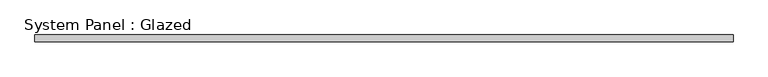
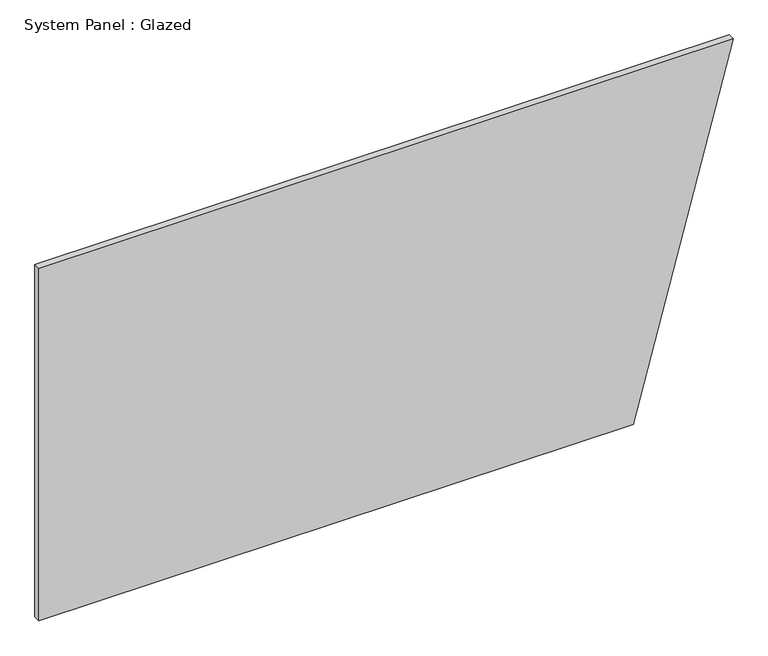
"""IFC4 building model written with IfcOpenShell, lengths in millimetres: plate geometry, System Panel : Glazed."""

from ifc_helpers import new_model, si_unit, frame, origin, place, context, project, spatial, polyline, outline, extrude, source, transform, mapped, element, save


def system_panel_glazed_31123c02(model_context):
    return source(origin(), model_context, "Body", "SweptSolid", [
        extrude(outline(polyline([(0.0, -1257.0715693), (0.0, 895.3401595), (1350.0, 1257.0715693), (1350.0, -1257.0715693), (0.0, -1257.0715693)])), frame((0.0, -22.5, 0.0), z_axis=(0.0, 1.0, 0.0), x_axis=(0.0, 0.0, 1.0)), (0.0, 0.0, 1.0), 25.0),
    ])


if __name__ == "__main__":
    model = new_model("IFC4")
    model_context = context("Model", 3, world=origin())
    ifc_project = project(units=[si_unit("LENGTHUNIT", "METRE", prefix="MILLI")], contexts=[model_context])
    site = spatial("IfcSite", under=ifc_project)
    building = spatial("IfcBuilding", under=site)
    placement = place(None, origin())
    system_panel_glazed_shape = system_panel_glazed_31123c02(model_context)
    element("IfcPlate", 1, ObjectType="System Panel : Glazed", at=placement, inside=building, context=model_context, shape_type="MappedRepresentation", body=[
        mapped(system_panel_glazed_shape, transform((0.0, 0.0, 0.0), x_axis=(1.0, 0.0, 0.0), y_axis=(0.0, 1.0, 0.0), z_axis=(0.0, 0.0, 1.0))),
    ])
    save(model, "model.ifc")
